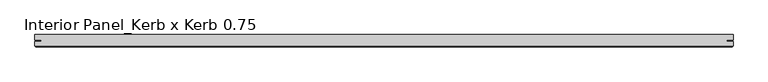
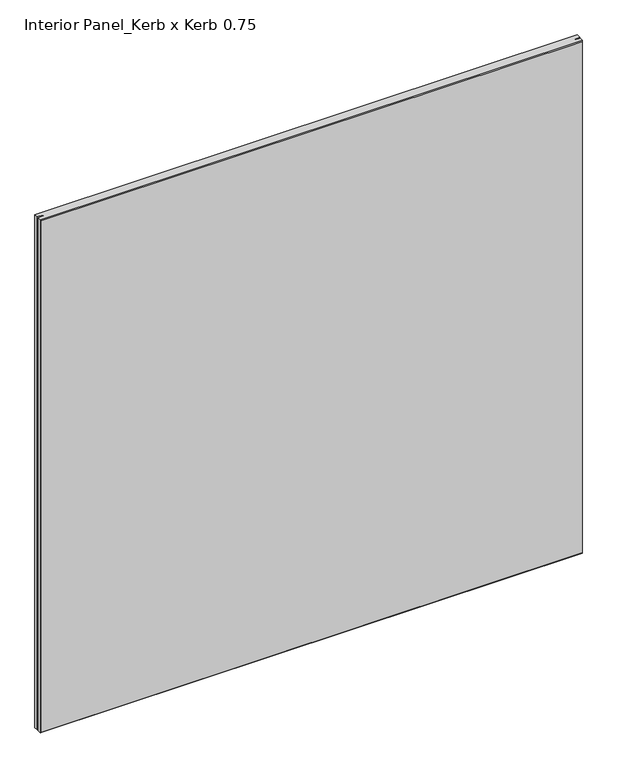
"""IFC4 building model written with IfcOpenShell, lengths in millimetres: proxy geometry, Interior Panel_Kerb x Kerb 0.75."""

from ifc_helpers import new_model, si_unit, origin, place, context, project, spatial, faceted_brep, source, transform, mapped, element, save


def interior_panel_kerb_x_kerb_0_75_bbfd6bcd(model_context):
    return source(origin(), model_context, "Body", "Brep", [
        faceted_brep([(990.6, 3.175, 1063.625), (-73.025, 3.175, 1063.625), (-73.025, -5.2832, 1063.625), (-63.2023437, -5.2832, 1063.625), (-63.2023437, -7.4168, 1063.625), (-73.025, -7.4168, 1063.625), (-73.025, -14.2875, 1063.625), (990.6, -14.2875, 1063.625), (990.6, -7.4168, 1063.625), (980.7773437, -7.4168, 1063.625), (980.7773437, -5.2832, 1063.625), (990.6, -5.2832, 1063.625), (990.6, 3.175, 0.0), (990.6, -5.2832, 0.0), (980.7773437, -5.2832, 0.0), (980.7773437, -7.4168, 0.0), (990.6, -7.4168, 0.0), (990.6, -14.2875, 0.0), (-73.025, -14.2875, 0.0), (-73.025, -7.4168, 0.0), (-63.2023437, -7.4168, 0.0), (-63.2023437, -5.2832, 0.0), (-73.025, -5.2832, 0.0), (-73.025, 3.175, 0.0), (-71.4375, -15.875, 1062.0375), (-71.4375, -15.875, 1.5875), (989.0125, -15.875, 1.5875), (989.0125, -15.875, 1062.0375)], [[[0, 1, 2, 3, 4, 5, 6, 7, 8, 9, 10, 11]], [[12, 13, 14, 15, 16, 17, 18, 19, 20, 21, 22, 23]], [[1, 0, 12, 23]], [[24, 25, 26, 27]], [[8, 7, 17, 16]], [[6, 18, 25, 24]], [[17, 7, 27, 26]], [[7, 6, 24, 27]], [[18, 17, 26, 25]], [[9, 8, 16, 15]], [[4, 3, 21, 20]], [[11, 10, 14, 13]], [[0, 11, 13, 12]], [[2, 1, 23, 22]], [[3, 2, 22, 21]], [[5, 4, 20, 19]], [[6, 5, 19, 18]], [[10, 9, 15, 14]]]),
    ])


if __name__ == "__main__":
    model = new_model("IFC4")
    model_context = context("Model", 3, world=origin())
    ifc_project = project(units=[si_unit("LENGTHUNIT", "METRE", prefix="MILLI")], contexts=[model_context])
    site = spatial("IfcSite", under=ifc_project)
    building = spatial("IfcBuilding", under=site)
    placement = place(None, origin())
    interior_panel_kerb_x_kerb_0_75_shape = interior_panel_kerb_x_kerb_0_75_bbfd6bcd(model_context)
    element("IfcBuildingElementProxy", 1, Name="Interior Panel_Kerb x Kerb 0.75", ObjectType="Interior Panel_Kerb x Kerb 0.75", at=placement, inside=building, context=model_context, shape_type="MappedRepresentation", body=[
        mapped(interior_panel_kerb_x_kerb_0_75_shape, transform((0.0, 0.0, 0.0), x_axis=(1.0, 0.0, 0.0), y_axis=(0.0, 1.0, 0.0), z_axis=(0.0, 0.0, 1.0))),
    ])
    save(model, "model.ifc")
